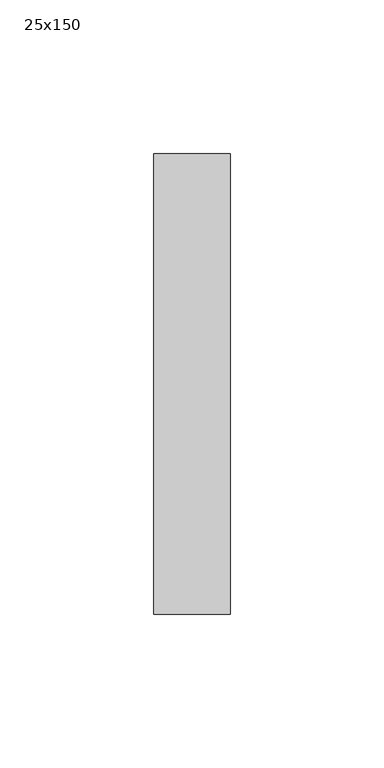
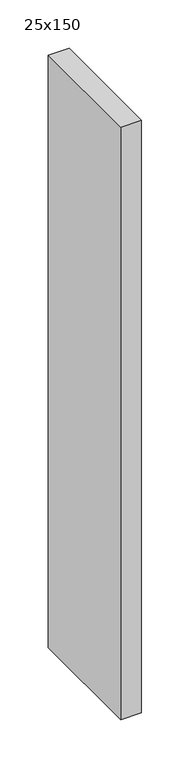
"""IFC4 building model written with IfcOpenShell, lengths in millimetres: member geometry, 25x150."""

from ifc_helpers import new_model, si_unit, frame, origin, place, context, project, spatial, polyline, outline, extrude, source, transform, mapped, element, save


def member_25x150_ebaab477(model_context):
    return source(origin(), model_context, "Body", "SweptSolid", [
        extrude(outline(polyline([(0.0, 75.0), (0.0, -75.0), (-25.0, -75.0), (-25.0, 75.0), (0.0, 75.0)])), frame((0.0, 0.0, -750.0), z_axis=(0.0, 0.0, 1.0), x_axis=(1.0, 0.0, 0.0)), (0.0, 0.0, 1.0), 750.0),
    ])


if __name__ == "__main__":
    model = new_model("IFC4")
    model_context = context("Model", 3, world=origin())
    ifc_project = project(units=[si_unit("LENGTHUNIT", "METRE", prefix="MILLI")], contexts=[model_context])
    site = spatial("IfcSite", under=ifc_project)
    building = spatial("IfcBuilding", under=site)
    placement = place(None, origin())
    member_25x150_shape = member_25x150_ebaab477(model_context)
    element("IfcMember", 1, ObjectType="25x150", at=placement, inside=building, context=model_context, shape_type="MappedRepresentation", body=[
        mapped(member_25x150_shape, transform((0.0, 0.0, 0.0), x_axis=(1.0, 0.0, 0.0), y_axis=(0.0, 1.0, 0.0), z_axis=(0.0, 0.0, 1.0))),
    ])
    save(model, "model.ifc")
